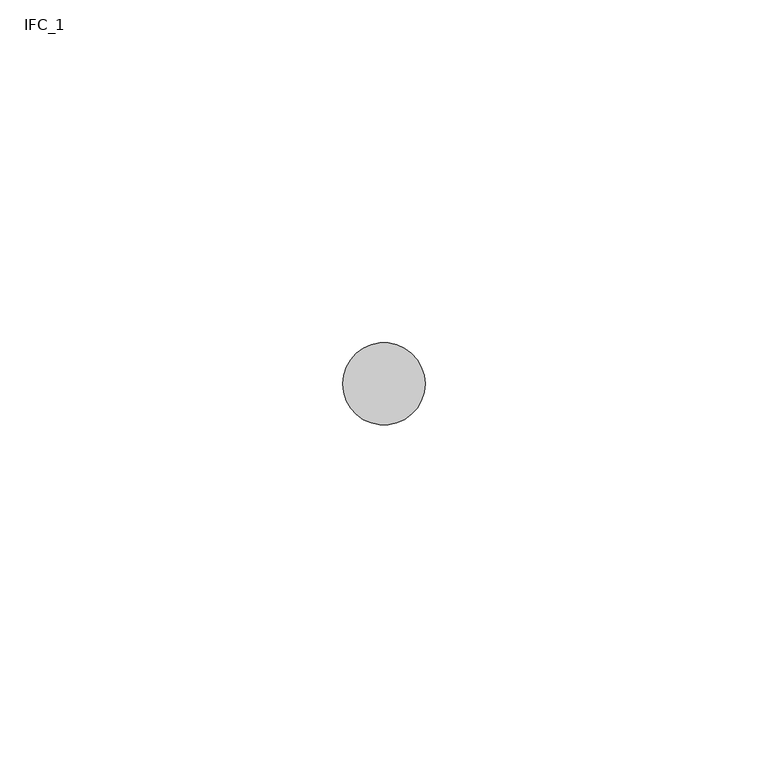
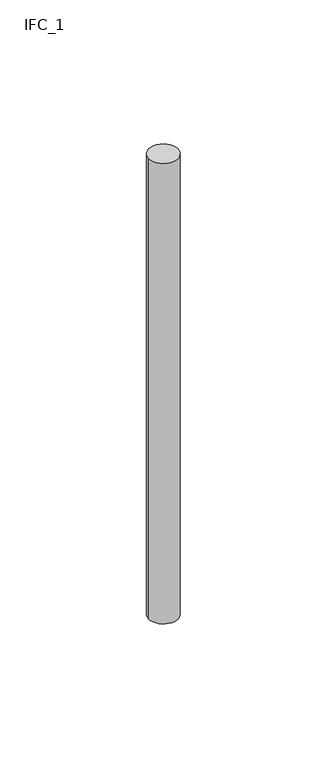
"""IFC4 building model written with IfcOpenShell, lengths in millimetres: reinforcing bar geometry, IFC_1."""

from ifc_helpers import new_model, si_unit, point, frame_2d, origin, origin_with_axes, place, context, project, spatial, circle_curve, trimmed, segment, composite_curve, outline, extrude, source, transform, mapped, element, save


def ifc_1_e9caa0bd(model_context):
    return source(origin(), model_context, "Body", "SweptSolid", [
        extrude(outline(composite_curve([segment(trimmed(circle_curve(frame_2d((62.1999552, 16.8318829)), 6.0), [point((56.1999552, 16.8318829))], [point((68.1999552, 16.8318829))], False, "CARTESIAN"), True, "CONTINUOUS"), segment(trimmed(circle_curve(frame_2d((62.1999552, 16.8318829)), 6.0), [point((68.1999552, 16.8318829))], [point((56.1999552, 16.8318829))], False, "CARTESIAN"), True, "CONTINUOUS")], self_intersect=False)), origin_with_axes(), (0.0, 0.0, 1.0), 200.0),
    ])


if __name__ == "__main__":
    model = new_model("IFC4")
    model_context = context("Model", 3, world=origin())
    ifc_project = project(units=[si_unit("LENGTHUNIT", "METRE", prefix="MILLI")], contexts=[model_context])
    site = spatial("IfcSite", under=ifc_project)
    building = spatial("IfcBuilding", under=site)
    placement = place(None, origin())
    ifc_1_shape = ifc_1_e9caa0bd(model_context)
    element("IfcReinforcingBar", 1, ObjectType="IFC_1", at=placement, inside=building, context=model_context, shape_type="MappedRepresentation", body=[
        mapped(ifc_1_shape, transform((0.0, 0.0, 0.0), x_axis=(1.0, 0.0, 0.0), y_axis=(0.0, 1.0, 0.0), z_axis=(0.0, 0.0, 1.0))),
    ])
    save(model, "model.ifc")
